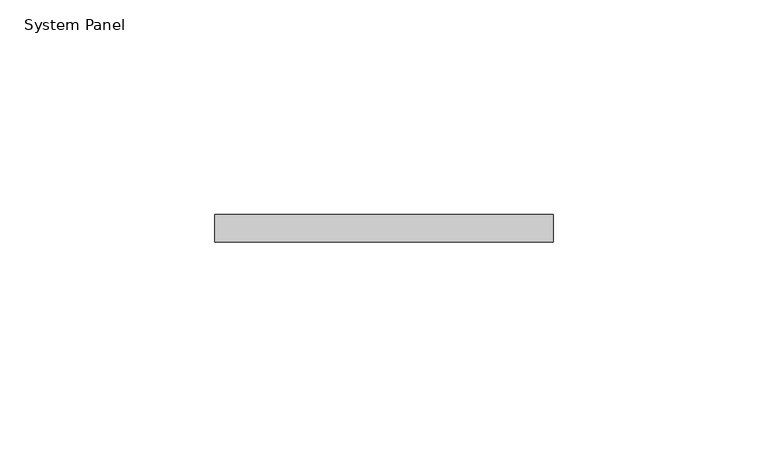
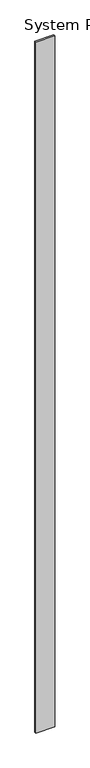
"""IFC4 building model written with IfcOpenShell, lengths in millimetres: plate geometry, System Panel."""

import ifcopenshell
import ifcopenshell.guid

model = None  # the IFC model being written
_history = None  # IfcOwnerHistory: only IFC2X3 demands one
_inside = {}  # id of a spatial element -> (the spatial element, [elements in it])
_under = {}  # id of a project, library or spatial element -> (it, [spatial elements below it])
_declared = {}  # id of a project -> (the project, [libraries it declares])
_typed = {}  # id of a type object -> (the type object, [elements of that type])
_made_of = {}  # id of a material, layer set ... -> (it, [elements and type objects made of it])


def new_model(schema):
    """Start an empty IFC model of exactly this schema.

    Asked for "IFC4X3", IfcOpenShell would pick the latest addendum, in which some entities
    have other attributes; the version numbers below select the first issue.
    IFC2X3 requires an IfcOwnerHistory on every rooted entity: one is made here for all.
    """
    global model, _history
    if schema == "IFC4X3":
        model = ifcopenshell.file(schema_version=(4, 3, 0, 0))
    else:
        model = ifcopenshell.file(schema=schema)
    _inside.clear()
    _under.clear()
    _declared.clear()
    _typed.clear()
    _made_of.clear()
    _history = None
    if model.schema == "IFC2X3":
        org = make("IfcOrganization", Name="unknown")
        user = make(
            "IfcPersonAndOrganization",
            ThePerson=make("IfcPerson", FamilyName="unknown"),
            TheOrganization=org,
        )
        app = make(
            "IfcApplication",
            ApplicationDeveloper=org,
            Version="unknown",
            ApplicationFullName="unknown",
            ApplicationIdentifier="unknown",
        )
        _history = make(
            "IfcOwnerHistory",
            OwningUser=user,
            OwningApplication=app,
            ChangeAction="ADDED",
            CreationDate=0,
        )
    return model


def make(cls, **values):
    """One entity of the class cls with the attributes given. An attribute that is None is left unset."""
    return model.create_entity(
        cls, **{name: value for name, value in values.items() if value is not None}
    )


def rooted(cls, **values):
    """An entity with a GlobalId (a new one), such as an element, a storey or a relation."""
    return make(cls, GlobalId=ifcopenshell.guid.new(), OwnerHistory=_history, **values)


def si_unit(unit_type, name, prefix=None):
    """IfcSIUnit, for example si_unit("LENGTHUNIT", "METRE", prefix="MILLI")."""
    return make("IfcSIUnit", UnitType=unit_type, Prefix=prefix, Name=name)


def assignment(units):
    """IfcUnitAssignment: the units of a project."""
    return None if units is None else make("IfcUnitAssignment", Units=units)


def point(xyz):
    """IfcCartesianPoint."""
    return None if xyz is None else make("IfcCartesianPoint", Coordinates=xyz)


def direction(xyz):
    """IfcDirection."""
    return None if xyz is None else make("IfcDirection", DirectionRatios=xyz)


def frame(location, z_axis=None, x_axis=None):
    """IfcAxis2Placement3D, a coordinate frame: its origin and axes. An axis left out is left unset."""
    return make(
        "IfcAxis2Placement3D",
        Location=point(location),
        Axis=direction(z_axis),
        RefDirection=direction(x_axis),
    )


def origin():
    """The frame at (0, 0, 0) with its axes left unset."""
    return frame((0.0, 0.0, 0.0))


def origin_with_axes():
    """The frame at (0, 0, 0) with the z axis (0, 0, 1) and the x axis (1, 0, 0) written out."""
    return frame((0.0, 0.0, 0.0), z_axis=(0.0, 0.0, 1.0), x_axis=(1.0, 0.0, 0.0))


def place(relative_to, where):
    """IfcLocalPlacement: puts the frame where relative to a parent placement (None: the world)."""
    return make(
        "IfcLocalPlacement", PlacementRelTo=relative_to, RelativePlacement=where
    )


def context(
    kind, dimensions, precision=None, world=None, true_north=None, identifier=None
):
    """IfcGeometricRepresentationContext, for example the 3D "Model" context."""
    return make(
        "IfcGeometricRepresentationContext",
        ContextIdentifier=identifier,
        ContextType=kind,
        CoordinateSpaceDimension=dimensions,
        Precision=precision,
        WorldCoordinateSystem=world,
        TrueNorth=true_north,
    )


def project(units=None, contexts=None):
    """IfcProject with its units and contexts."""
    return rooted(
        "IfcProject",
        Name="project",
        RepresentationContexts=contexts,
        UnitsInContext=assignment(units),
    )


def spatial(cls, under=None, at=None, **own):
    """A site, building, storey or space (cls), placed at a placement, below another one or the project."""
    s = rooted(cls, ObjectPlacement=at, **own)
    if under is not None:
        _under.setdefault(under.id(), (under, []))[1].append(s)
    return s


def polyline(points):
    """IfcPolyline through the points."""
    return make("IfcPolyline", Points=[point(p) for p in points])


def outline(outer, holes=None, kind="AREA"):
    """IfcArbitraryClosedProfileDef: a profile drawn as a closed curve; with holes, ...WithVoids."""
    if holes is None:
        return make("IfcArbitraryClosedProfileDef", ProfileType=kind, OuterCurve=outer)
    return make(
        "IfcArbitraryProfileDefWithVoids",
        ProfileType=kind,
        OuterCurve=outer,
        InnerCurves=holes,
    )


def extrude(swept, where, along, depth):
    """IfcExtrudedAreaSolid: the profile swept, set in the frame where, extruded along a direction by depth."""
    return make(
        "IfcExtrudedAreaSolid",
        SweptArea=swept,
        Position=where,
        ExtrudedDirection=direction(along),
        Depth=depth,
    )


def shape(context_of_items, identifier, shape_type, items):
    """IfcShapeRepresentation: the items that make up one representation, for example the "Body"."""
    return make(
        "IfcShapeRepresentation",
        ContextOfItems=context_of_items,
        RepresentationIdentifier=identifier,
        RepresentationType=shape_type,
        Items=items,
    )


def source(mapping_origin, context_of_items, identifier, shape_type, items):
    """IfcRepresentationMap: a shape defined once, which mapped items show again and again."""
    return make(
        "IfcRepresentationMap",
        MappingOrigin=mapping_origin,
        MappedRepresentation=shape(context_of_items, identifier, shape_type, items),
    )


def transform(
    local_origin,
    x_axis=None,
    y_axis=None,
    z_axis=None,
    scale=None,
    scale2=None,
    scale3=None,
    uniform=True,
):
    """IfcCartesianTransformationOperator3D, or its non-uniform kind. x_axis, y_axis, z_axis: its Axis1, 2, 3."""
    if uniform:
        return make(
            "IfcCartesianTransformationOperator3D",
            Axis1=direction(x_axis),
            Axis2=direction(y_axis),
            LocalOrigin=point(local_origin),
            Scale=scale,
            Axis3=direction(z_axis),
        )
    return make(
        "IfcCartesianTransformationOperator3DnonUniform",
        Axis1=direction(x_axis),
        Axis2=direction(y_axis),
        LocalOrigin=point(local_origin),
        Scale=scale,
        Axis3=direction(z_axis),
        Scale2=scale2,
        Scale3=scale3,
    )


def mapped(mapping_source, mapping_target):
    """IfcMappedItem: shows the shape of a source again, moved by a transform."""
    return make(
        "IfcMappedItem", MappingSource=mapping_source, MappingTarget=mapping_target
    )


def made_of(thing, what):
    """Note that an element or type object is made of a material, layer set ...; save() writes the relation."""
    if what is not None:
        _made_of.setdefault(what.id(), (what, []))[1].append(thing)
    return thing


def element(
    cls,
    number,
    at=None,
    inside=None,
    cuts=None,
    type_object=None,
    material=None,
    context=None,
    identifier="Body",
    shape_type=None,
    held_by="IfcProductDefinitionShape",
    body=None,
    shapes=None,
    **own,
):
    """One element of the class cls, such as IfcWall. Its Tag is "e" and its number.

    at: its placement. inside: the storey or other place that contains it. cuts: it is an
    opening in that element (IfcRelVoidsElement). A single representation is given by context,
    identifier, shape_type and body (its items); several are given by shapes. held_by: the class
    of the entity that holds the representations. save() writes the other relations.
    """
    e = rooted(cls, Tag="e%d" % number, ObjectPlacement=at, **own)
    if body is not None:
        shapes = [shape(context, identifier, shape_type, body)]
    if shapes is not None:
        e.Representation = make(held_by, Representations=shapes)
    if inside is not None:
        _inside.setdefault(inside.id(), (inside, []))[1].append(e)
    if cuts is not None:
        rooted(
            "IfcRelVoidsElement", RelatingBuildingElement=cuts, RelatedOpeningElement=e
        )
    if type_object is not None:
        _typed.setdefault(type_object.id(), (type_object, []))[1].append(e)
    return made_of(e, material)


def aggregate(whole, parts):
    """IfcRelAggregates: a whole, such as a stair, and the parts it consists of."""
    return rooted("IfcRelAggregates", RelatingObject=whole, RelatedObjects=parts)


def save(model, path):
    """Write the relations noted so far, then the file.

    IfcRelAggregates (storeys below a building ...), IfcRelContainedInSpatialStructure (elements
    in a storey), IfcRelDefinesByType, IfcRelAssociatesMaterial and IfcRelDeclares: one each for
    every whole, place, type object, material and project.
    """
    for whole, parts in _under.values():
        aggregate(whole, parts)
    for where, things in _inside.values():
        rooted(
            "IfcRelContainedInSpatialStructure",
            RelatedElements=things,
            RelatingStructure=where,
        )
    for kind, things in _typed.values():
        rooted("IfcRelDefinesByType", RelatedObjects=things, RelatingType=kind)
    for what, things in _made_of.values():
        rooted("IfcRelAssociatesMaterial", RelatedObjects=things, RelatingMaterial=what)
    for by, libraries in _declared.values():
        rooted("IfcRelDeclares", RelatingContext=by, RelatedDefinitions=libraries)
    model.write(path)


def system_panel_2dcdbc2e(model_context):
    return source(origin(), model_context, "Body", "SweptSolid", [
        extrude(outline(polyline([(39.3658107, 0.0), (-39.3658107, 0.0), (-39.3658107, 6.35), (39.3658107, 6.35), (39.3658107, 0.0)])), origin_with_axes(), (0.0, 0.0, 1.0), 3048.0),
    ])


if __name__ == "__main__":
    model = new_model("IFC4")
    model_context = context("Model", 3, world=origin())
    ifc_project = project(units=[si_unit("LENGTHUNIT", "METRE", prefix="MILLI")], contexts=[model_context])
    site = spatial("IfcSite", under=ifc_project)
    building = spatial("IfcBuilding", under=site)
    placement = place(None, origin())
    system_panel_shape = system_panel_2dcdbc2e(model_context)
    element("IfcPlate", 1, ObjectType="System Panel", at=placement, inside=building, context=model_context, shape_type="MappedRepresentation", body=[
        mapped(system_panel_shape, transform((0.0, 0.0, 0.0), x_axis=(1.0, 0.0, 0.0), y_axis=(0.0, 1.0, 0.0), z_axis=(0.0, 0.0, 1.0))),
    ])
    save(model, "model.ifc")
